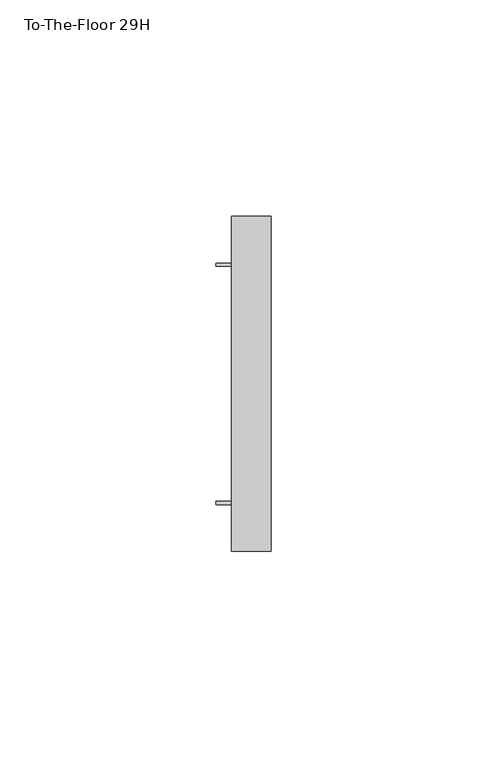
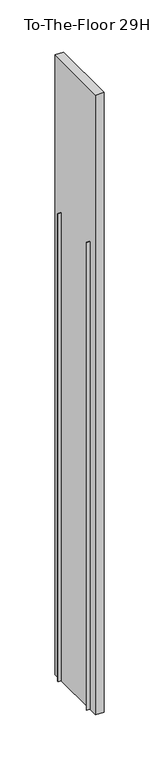
"""IFC4 building model written with IfcOpenShell, lengths in millimetres: furniture geometry, To-The-Floor 29H."""

from ifc_helpers import new_model, si_unit, frame, origin, place, context, project, spatial, polyline, outline, extrude, source, transform, mapped, element, save


def to_the_floor_29h_128bbb53(model_context):
    return source(origin(), model_context, "Body", "SweptSolid", [
        extrude(outline(polyline([(-2.7893493, -11.9633996), (-2.7893493, -11.1759996), (0.762, -11.1759996), (0.762, -11.9633996), (-2.7893493, -11.9633996)])), frame((0.0, 0.0, 14.3002), z_axis=(0.0, 0.0, 1.0), x_axis=(1.0, 0.0, 0.0)), (0.0, 0.0, 1.0), 547.1921986),
        extrude(outline(polyline([(0.762, -66.2685996), (0.762, -67.0559996), (-2.7893493, -67.0559996), (-2.7893493, -66.2685996), (0.762, -66.2685996)])), frame((0.0, 0.0, 14.3002), z_axis=(0.0, 0.0, 1.0), x_axis=(1.0, 0.0, 0.0)), (0.0, 0.0, 1.0), 547.1921986),
        extrude(outline(polyline([(9.8933006, -0.381), (9.8933006, -77.8509984), (0.762, -77.8509984), (0.762, -0.381), (9.8933006, -0.381)])), frame((0.0, 0.0, 14.3002), z_axis=(0.0, 0.0, 1.0), x_axis=(1.0, 0.0, 0.0)), (0.0, 0.0, 1.0), 724.9921986),
    ])


if __name__ == "__main__":
    model = new_model("IFC4")
    model_context = context("Model", 3, world=origin())
    ifc_project = project(units=[si_unit("LENGTHUNIT", "METRE", prefix="MILLI")], contexts=[model_context])
    site = spatial("IfcSite", under=ifc_project)
    building = spatial("IfcBuilding", under=site)
    placement = place(None, origin())
    to_the_floor_29h_shape = to_the_floor_29h_128bbb53(model_context)
    element("IfcFurniture", 1, ObjectType="To-The-Floor 29H", at=placement, inside=building, context=model_context, shape_type="MappedRepresentation", body=[
        mapped(to_the_floor_29h_shape, transform((0.0, 0.0, 0.0), x_axis=(1.0, 0.0, 0.0), y_axis=(0.0, 1.0, 0.0), z_axis=(0.0, 0.0, 1.0))),
    ])
    save(model, "model.ifc")
